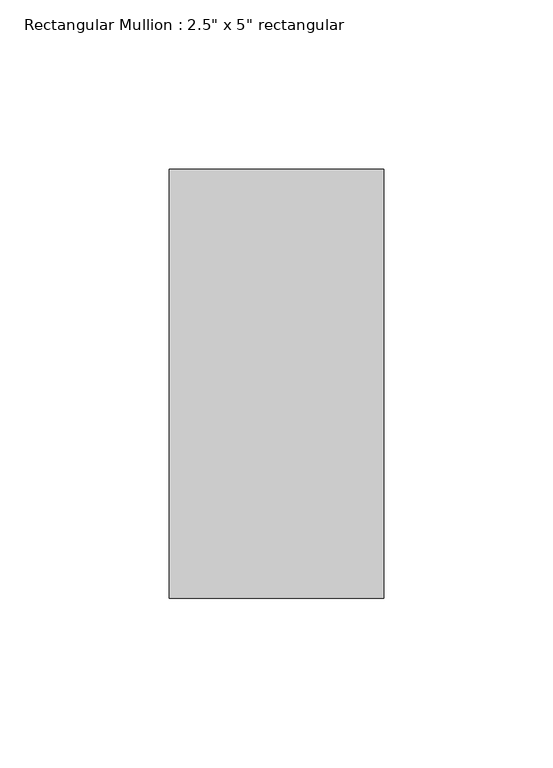
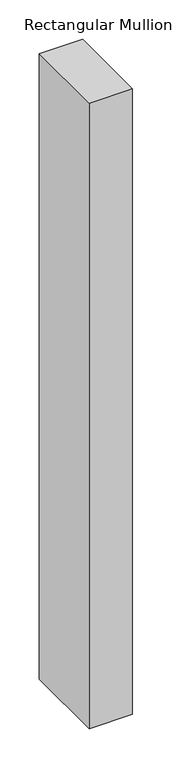
"""IFC4 building model written with IfcOpenShell, lengths in millimetres: member geometry."""

from ifc_helpers import new_model, si_unit, frame, origin, place, context, project, spatial, polyline, outline, extrude, source, transform, mapped, element, save


def member_801a2072(model_context):
    return source(origin(), model_context, "Body", "SweptSolid", [
        extrude(outline(polyline([(0.0, 63.5), (0.0, -63.5), (-63.5, -63.5), (-63.5, 63.5), (0.0, 63.5)])), frame((0.0, 0.0, -971.55), z_axis=(0.0, 0.0, 1.0), x_axis=(1.0, 0.0, 0.0)), (0.0, 0.0, 1.0), 971.55),
    ])


if __name__ == "__main__":
    model = new_model("IFC4")
    model_context = context("Model", 3, world=origin())
    ifc_project = project(units=[si_unit("LENGTHUNIT", "METRE", prefix="MILLI")], contexts=[model_context])
    site = spatial("IfcSite", under=ifc_project)
    building = spatial("IfcBuilding", under=site)
    placement = place(None, origin())
    member_shape = member_801a2072(model_context)
    element("IfcMember", 1, ObjectType="Rectangular Mullion : 2.5\" x 5\" rectangular", at=placement, inside=building, context=model_context, shape_type="MappedRepresentation", body=[
        mapped(member_shape, transform((0.0, 0.0, 0.0), x_axis=(1.0, 0.0, 0.0), y_axis=(0.0, 1.0, 0.0), z_axis=(0.0, 0.0, 1.0))),
    ])
    save(model, "model.ifc")
